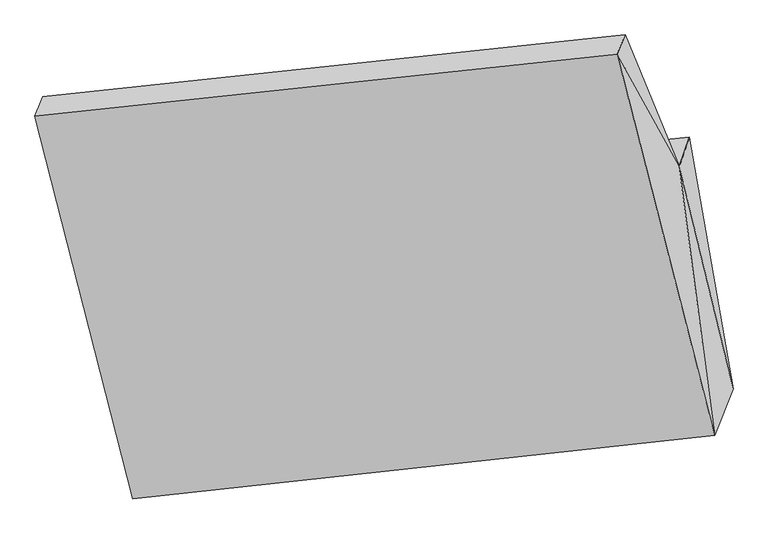
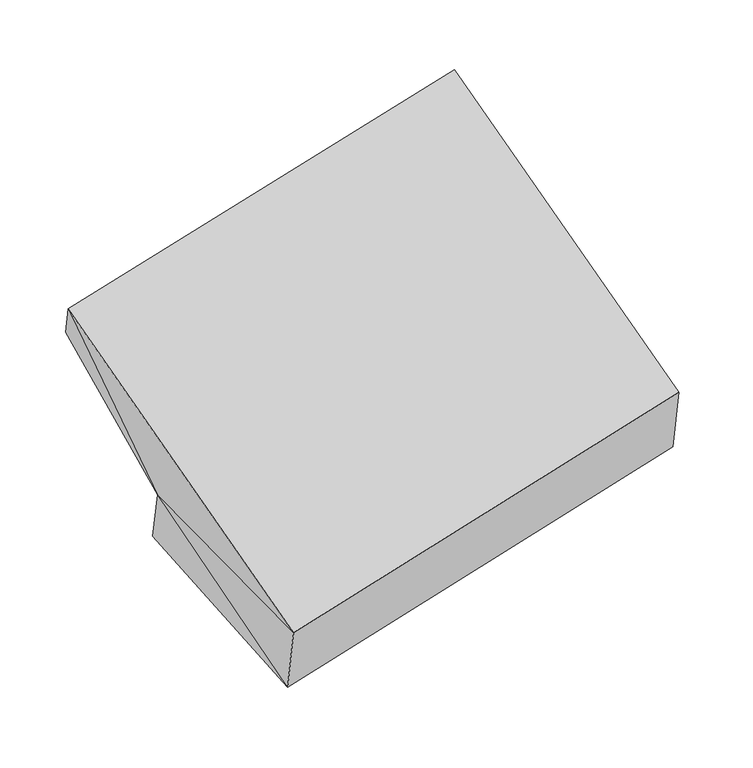
"""IFC4 building model written with IfcOpenShell, lengths in millimetres: proxy geometry."""

from ifc_helpers import new_model, si_unit, frame, origin, place, context, project, spatial, source, transform, mapped, element, save
from ifc_brep_helpers import plane_surface, spline_surface, advanced_brep


def generic_models_3d3a498d(model_context):
    return source(origin(), model_context, "Body", "AdvancedBrep", [
        advanced_brep(
        [(-4179.8738342, -1474.4283324, 1575.70308), (-4429.1394443, -876.868511, 2413.4741985), (-1764.0412164, -594.0268472, 2947.7909123), (-1515.0995164, -1196.182952, 2113.9990955), (-4135.0433145, -1343.2253489, 1198.6441442), (-1469.3661968, -1062.7223055, 1731.3039623), (-3933.0259048, -2507.7878543, 800.5422418), (-1269.1909508, -2215.985355, 1336.4807931), (-4017.9396987, -2720.1347024, 1330.6606494), (-1354.1047446, -2428.332203, 1866.5992007), (-4465.5808587, -966.6142651, 2640.2629599), (-1799.8254819, -682.3345335, 3170.583194)],
        [
            (0, 1),
            (1, 2),
            (2, 3),
            (3, 0),
            (4, 0),
            (3, 5),
            (5, 4),
            (6, 4),
            (5, 7),
            (7, 6),
            (8, 6),
            (7, 9),
            (9, 8),
            (10, 8),
            (9, 11),
            (11, 10),
            (1, 10),
            (11, 2),
            (11, 3),
            (9, 3),
            (3, 7),
            (0, 10),
            (0, 8),
            (0, 6),
        ],
        [
            spline_surface(1, 1, [[(-4179.8738342, -1474.4283324, 1575.70308), (-1515.0995164, -1196.182952, 2113.9990955)], [(-4429.1394443, -876.868511, 2413.4741985), (-1764.0412164, -594.0268472, 2947.7909123)]], [2, 2], [2, 2], [0.0, 1.0], [0.0, 1.0]),
            spline_surface(1, 1, [[(-4135.0433145, -1343.2253489, 1198.6441442), (-1469.3661968, -1062.7223055, 1731.3039623)], [(-4179.8738342, -1474.4283324, 1575.70308), (-1515.0995164, -1196.182952, 2113.9990955)]], [2, 2], [2, 2], [0.0, 1.0], [0.0, 1.0]),
            spline_surface(1, 1, [[(-3933.0259048, -2507.7878543, 800.5422418), (-1269.1909508, -2215.985355, 1336.4807931)], [(-4135.0433145, -1343.2253489, 1198.6441442), (-1469.3661968, -1062.7223055, 1731.3039623)]], [2, 2], [2, 2], [0.0, 1.0], [0.0, 1.0]),
            plane_surface(frame((-3975.4828018, -2613.9612784, 1065.6014456), z_axis=(0.17017206455256284, -0.9238632415673188, -0.3428092462677234), x_axis=(0.14707638870362755, 0.3677989893235256, -0.918200653091955))),
            plane_surface(frame((-4241.7602787, -1843.3744837, 1985.4618046), z_axis=(-0.09134314058286495, -0.6107418283322006, 0.7865436095944712), x_axis=(0.20038618822160925, -0.7849619467073684, -0.5862423712010181))),
            spline_surface(1, 1, [[(-4429.1394443, -876.868511, 2413.4741985), (-1764.0412164, -594.0268472, 2947.7909123)], [(-4465.5808587, -966.6142651, 2640.2629599), (-1799.8254819, -682.3345335, 3170.583194)]], [2, 2], [2, 2], [0.0, 1.0], [0.0, 1.0]),
            plane_surface(frame((-1692.9887382, -824.1814442, 2744.1244006), z_axis=(0.9716985129245593, 0.11983686188424562, 0.20357093730180767), x_axis=(-0.23525166499089822, 0.5690417727765771, 0.7879391568860509))),
            plane_surface(frame((-1556.3432477, -1435.6165628, 2383.7271634), z_axis=(0.9716153633063853, 0.08243029555711218, 0.2217404612635415), x_axis=(-0.12706655692174246, 0.972484765469384, 0.19526256948532383))),
            plane_surface(frame((-1417.8855547, -1491.6302042, 1727.2612836), z_axis=(0.9806221095434862, 0.11621483362772667, 0.15771617139457494), x_axis=(-0.16204558873854097, 0.9335879112226187, 0.3196167066806231))),
            plane_surface(frame((-1379.4650706, -1946.8335033, 1772.3596964), z_axis=(0.9772965758798544, 0.08909759970090844, 0.19223168443586286), x_axis=(0.14707638870362755, 0.3677989893235256, -0.918200653091955))),
            plane_surface(frame((-4358.1980457, -1105.9703695, 2209.8134128), z_axis=(-0.9716871463088436, -0.1199058384509111, -0.20358457604533858), x_axis=(0.23542127270622318, -0.5643710481054232, -0.7912408889951077))),
            plane_surface(frame((-4221.1314639, -1720.3924333, 1848.8755631), z_axis=(-0.9716874094983494, -0.08278291077604699, -0.22129294590165388), x_axis=(0.12652444954873102, -0.973311231056351, -0.19145968548485953))),
            plane_surface(frame((-4043.6131459, -2234.116963, 1235.6353237), z_axis=(-0.9772768416168963, -0.08921732062106705, -0.19227647942611603), x_axis=(0.18769452841107803, -0.7857304238925616, -0.5894051789509136))),
            plane_surface(frame((-4082.6476845, -1775.1471786, 1191.629822), z_axis=(-0.980695937770809, -0.11641498435154232, -0.15710833541942898), x_axis=(0.11159004499403419, 0.3265843658135148, -0.9385575708843938))),
        ],
        [
            (0, [[1, 2, 3, 4]]),
            (1, [[5, -4, 6, 7]]),
            (2, [[8, -7, 9, 10]]),
            (3, [[11, -10, 12, 13]]),
            (4, [[14, -13, 15, 16]]),
            (5, [[17, -16, 18, -2]]),
            (6, [[-3, -18, 19]]),
            (7, [[20, -19, -15]]),
            (8, [[-9, -6, 21]]),
            (9, [[-12, -21, -20]]),
            (10, [[-1, 22, -17]]),
            (11, [[23, -14, -22]]),
            (12, [[24, -11, -23]]),
            (13, [[-5, -8, -24]]),
        ],
    ),
    ])


if __name__ == "__main__":
    model = new_model("IFC4")
    model_context = context("Model", 3, world=origin())
    ifc_project = project(units=[si_unit("LENGTHUNIT", "METRE", prefix="MILLI")], contexts=[model_context])
    site = spatial("IfcSite", under=ifc_project)
    building = spatial("IfcBuilding", under=site)
    placement = place(None, origin())
    generic_models_shape = generic_models_3d3a498d(model_context)
    element("IfcBuildingElementProxy", 1, Name="Generic Models", at=placement, inside=building, context=model_context, shape_type="MappedRepresentation", body=[
        mapped(generic_models_shape, transform((0.0, 0.0, 0.0), x_axis=(1.0, 0.0, 0.0), y_axis=(0.0, 1.0, 0.0), z_axis=(0.0, 0.0, 1.0))),
    ])
    save(model, "model.ifc")
